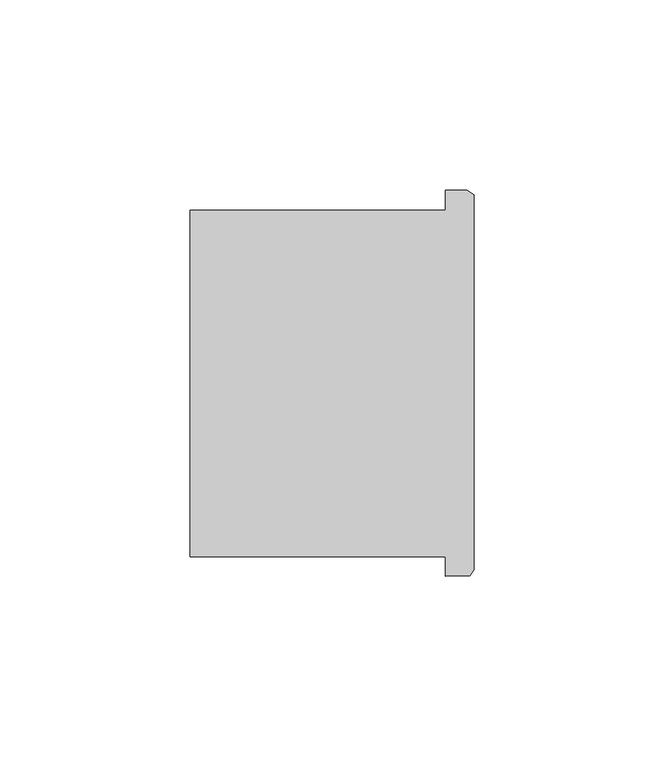
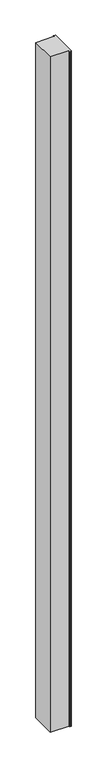
"""IFC4 building model written with IfcOpenShell, lengths in millimetres: column geometry."""

from ifc_helpers import new_model, si_unit, frame, origin, place, context, project, spatial, polyline, outline, extrude, source, transform, mapped, element, save


def column_f0851335(model_context):
    return source(origin(), model_context, "Body", "SweptSolid", [
        extrude(outline(polyline([(61039.846297, -41021.8929624), (61039.846297, -41016.8018118), (60972.557379, -41016.8018118), (60972.557379, -40925.5949584), (61039.846297, -40925.5949584), (61039.846297, -40920.2929624), (61045.545168, -40920.2929624), (61047.3125, -40921.5300948), (61047.3125, -41020.2527574), (61046.233508, -41021.741045), (61039.846297, -41021.8929624)])), frame((0.0, 0.0, 4419.601524), z_axis=(0.0, 0.0, 1.0), x_axis=(1.0, 0.0, 0.0)), (0.0, 0.0, 1.0), 2590.8000568),
        extrude(outline(polyline([(61039.846297, -41021.8929624), (61039.846297, -41016.8018118), (60972.557379, -41016.8018118), (60972.557379, -40925.5949584), (61039.846297, -40925.5949584), (61039.846297, -40920.2929624), (61045.545168, -40920.2929624), (61047.3125, -40921.5300948), (61047.3125, -41020.2527574), (61046.233508, -41021.741045), (61039.846297, -41021.8929624)])), frame((0.0, 0.0, 4419.601524), z_axis=(0.0, 0.0, 1.0), x_axis=(1.0, 0.0, 0.0)), (0.0, 0.0, 1.0), 2590.8000568),
    ])


if __name__ == "__main__":
    model = new_model("IFC4")
    model_context = context("Model", 3, world=origin())
    ifc_project = project(units=[si_unit("LENGTHUNIT", "METRE", prefix="MILLI")], contexts=[model_context])
    site = spatial("IfcSite", under=ifc_project)
    building = spatial("IfcBuilding", under=site)
    placement = place(None, origin())
    column_shape = column_f0851335(model_context)
    element("IfcColumn", 1, at=placement, inside=building, context=model_context, shape_type="MappedRepresentation", body=[
        mapped(column_shape, transform((0.0, 0.0, 0.0), x_axis=(1.0, 0.0, 0.0), y_axis=(0.0, 1.0, 0.0), z_axis=(0.0, 0.0, 1.0))),
    ])
    save(model, "model.ifc")
